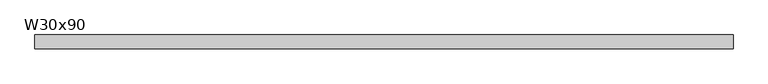
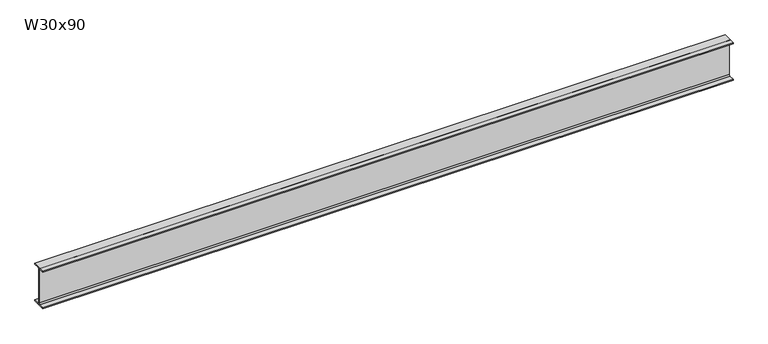
"""IFC4 building model written with IfcOpenShell, lengths in millimetres: beam geometry, W30x90."""

from ifc_helpers import new_model, si_unit, point, frame, frame_2d, origin, place, context, project, spatial, polyline, circle_curve, trimmed, segment, composite_curve, outline, extrude, source, transform, mapped, element, save


def w30x90_6859b8dc(model_context):
    return source(origin(), model_context, "Body", "SweptSolid", [
        extrude(outline(composite_curve([segment(polyline([(132.08, -359.156), (132.08, -374.65), (-132.08, -374.65), (-132.08, -359.156), (-28.575, -359.156)]), True, "CONTINUOUS"), segment(trimmed(circle_curve(frame_2d((-28.575, -336.55)), 22.606), [point((-28.575, -359.156))], [point((-5.969, -336.55))], True, "CARTESIAN"), True, "CONTINUOUS"), segment(polyline([(-5.969, -336.55), (-5.969, 336.55)]), True, "CONTINUOUS"), segment(trimmed(circle_curve(frame_2d((-28.575, 336.55)), 22.606), [point((-5.969, 336.55))], [point((-28.575, 359.156))], True, "CARTESIAN"), True, "CONTINUOUS"), segment(polyline([(-28.575, 359.156), (-132.08, 359.156), (-132.08, 374.65), (132.08, 374.65), (132.08, 359.156), (28.575, 359.156)]), True, "CONTINUOUS"), segment(trimmed(circle_curve(frame_2d((28.575, 336.55)), 22.606), [point((28.575, 359.156))], [point((5.969, 336.55))], True, "CARTESIAN"), True, "CONTINUOUS"), segment(polyline([(5.969, 336.55), (5.969, -336.55)]), True, "CONTINUOUS"), segment(trimmed(circle_curve(frame_2d((28.575, -336.55)), 22.606), [point((5.969, -336.55))], [point((28.575, -359.156))], True, "CARTESIAN"), True, "CONTINUOUS"), segment(polyline([(28.575, -359.156), (132.08, -359.156)]), True, "CONTINUOUS")], self_intersect=False)), frame((-6565.773, 0.0, 0.0), z_axis=(1.0, 0.0, 0.0), x_axis=(0.0, 1.0, 0.0)), (0.0, 0.0, 1.0), 13131.546),
    ])


if __name__ == "__main__":
    model = new_model("IFC4")
    model_context = context("Model", 3, world=origin())
    ifc_project = project(units=[si_unit("LENGTHUNIT", "METRE", prefix="MILLI")], contexts=[model_context])
    site = spatial("IfcSite", under=ifc_project)
    building = spatial("IfcBuilding", under=site)
    placement = place(None, origin())
    w30x90_shape = w30x90_6859b8dc(model_context)
    element("IfcBeam", 1, ObjectType="W30x90", at=placement, inside=building, context=model_context, shape_type="MappedRepresentation", body=[
        mapped(w30x90_shape, transform((0.0, 0.0, 0.0), x_axis=(1.0, 0.0, 0.0), y_axis=(0.0, 1.0, 0.0), z_axis=(0.0, 0.0, 1.0))),
    ])
    save(model, "model.ifc")
